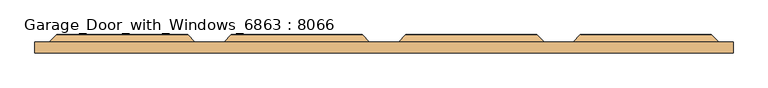
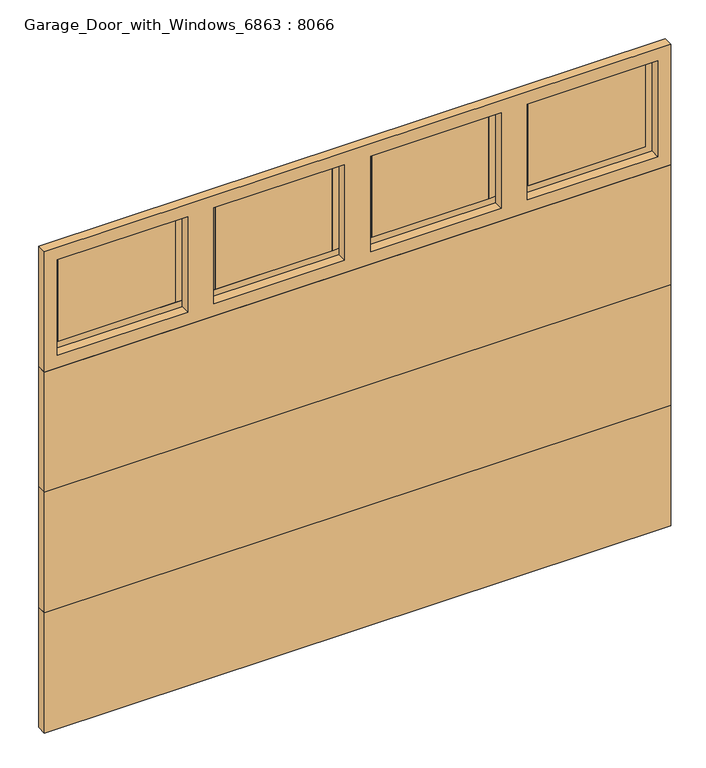
"""IFC4 building model written with IfcOpenShell, lengths in millimetres: door geometry, Garage_Door_with_Windows_6863 : 8066."""

from ifc_helpers import new_model, si_unit, frame, origin, origin_with_axes, place, context, project, spatial, polyline, outline, extrude, faceted_brep, source, transform, mapped, element, save


def garage_door_with_windows_6863_8066_fc2a343f(model_context):
    return source(origin(), model_context, "Body", "SolidModel", [
        extrude(outline(polyline([(1981.2, -1219.2), (1485.9, -1219.2), (1485.9, 1219.2), (1981.2, 1219.2), (1981.2, -1219.2)]), holes=[polyline([(1536.7, -660.4), (1536.7, -1168.4), (1930.4, -1168.4), (1930.4, -660.4), (1536.7, -660.4)]), polyline([(1536.7, -50.8), (1536.7, -558.8), (1930.4, -558.8), (1930.4, -50.8), (1536.7, -50.8)]), polyline([(1536.7, 558.8), (1536.7, 50.8), (1930.4, 50.8), (1930.4, 558.8), (1536.7, 558.8)]), polyline([(1536.7, 1168.4), (1536.7, 660.4), (1930.4, 660.4), (1930.4, 1168.4), (1536.7, 1168.4)])]), frame((0.0, -101.6, 0.0), z_axis=(0.0, 1.0, 0.0), x_axis=(0.0, 0.0, 1.0)), (0.0, 0.0, 1.0), 38.1),
        extrude(outline(polyline([(-1142.20625, -38.1), (-686.59375, -38.1), (-686.59375, -63.5), (-1142.20625, -63.5), (-1142.20625, -38.1)])), frame((0.0, 0.0, 1562.89375), z_axis=(0.0, 0.0, 1.0), x_axis=(1.0, 0.0, 0.0)), (0.0, 0.0, 1.0), 341.3125),
        extrude(outline(polyline([(-532.60625, -38.1), (-76.99375, -38.1), (-76.99375, -63.5), (-532.60625, -63.5), (-532.60625, -38.1)])), frame((0.0, 0.0, 1562.89375), z_axis=(0.0, 0.0, 1.0), x_axis=(1.0, 0.0, 0.0)), (0.0, 0.0, 1.0), 341.3125),
        extrude(outline(polyline([(76.99375, -38.1), (532.60625, -38.1), (532.60625, -63.5), (76.99375, -63.5), (76.99375, -38.1)])), frame((0.0, 0.0, 1562.89375), z_axis=(0.0, 0.0, 1.0), x_axis=(1.0, 0.0, 0.0)), (0.0, 0.0, 1.0), 341.3125),
        extrude(outline(polyline([(686.59375, -38.1), (1142.20625, -38.1), (1142.20625, -63.5), (686.59375, -63.5), (686.59375, -38.1)])), frame((0.0, 0.0, 1562.89375), z_axis=(0.0, 0.0, 1.0), x_axis=(1.0, 0.0, 0.0)), (0.0, 0.0, 1.0), 341.3125),
        extrude(outline(polyline([(-1142.20625, -63.5), (-1168.4, -63.5), (-1143.0, -38.1), (-1142.20625, -38.1), (-1142.20625, -63.5)])), frame((0.0, 0.0, 1562.89375), z_axis=(0.0, 0.0, 1.0), x_axis=(1.0, 0.0, 0.0)), (0.0, 0.0, 1.0), 341.3125),
        extrude(outline(polyline([(-660.4, -63.5), (-686.59375, -63.5), (-686.59375, -38.1), (-685.8, -38.1), (-660.4, -63.5)])), frame((0.0, 0.0, 1562.89375), z_axis=(0.0, 0.0, 1.0), x_axis=(1.0, 0.0, 0.0)), (0.0, 0.0, 1.0), 341.3125),
        faceted_brep([(-1143.0, -38.1, 1562.1), (-1143.0, -38.1, 1562.89375), (-685.8, -38.1, 1562.89375), (-685.8, -38.1, 1562.1), (-1168.4, -63.5, 1536.7), (-660.4, -63.5, 1536.7), (-660.4, -63.5, 1562.89375), (-1168.4, -63.5, 1562.89375)], [[[0, 1, 2, 3]], [[4, 5, 6, 7]], [[4, 7, 1, 0]], [[7, 6, 2, 1]], [[6, 5, 3, 2]], [[5, 4, 0, 3]]]),
        faceted_brep([(-1143.0, -38.1, 1905.0), (-685.8, -38.1, 1905.0), (-685.8, -38.1, 1904.20625), (-1143.0, -38.1, 1904.20625), (-1168.4, -63.5, 1930.4), (-1168.4, -63.5, 1904.20625), (-660.4, -63.5, 1904.20625), (-660.4, -63.5, 1930.4)], [[[0, 1, 2, 3]], [[4, 5, 6, 7]], [[4, 7, 1, 0]], [[7, 6, 2, 1]], [[6, 5, 3, 2]], [[5, 4, 0, 3]]]),
        extrude(outline(polyline([(-532.60625, -63.5), (-558.8, -63.5), (-533.4, -38.1), (-532.60625, -38.1), (-532.60625, -63.5)])), frame((0.0, 0.0, 1562.89375), z_axis=(0.0, 0.0, 1.0), x_axis=(1.0, 0.0, 0.0)), (0.0, 0.0, 1.0), 341.3125),
        extrude(outline(polyline([(-50.8, -63.5), (-76.99375, -63.5), (-76.99375, -38.1), (-76.2, -38.1), (-50.8, -63.5)])), frame((0.0, 0.0, 1562.89375), z_axis=(0.0, 0.0, 1.0), x_axis=(1.0, 0.0, 0.0)), (0.0, 0.0, 1.0), 341.3125),
        faceted_brep([(-533.4, -38.1, 1562.1), (-533.4, -38.1, 1562.89375), (-76.2, -38.1, 1562.89375), (-76.2, -38.1, 1562.1), (-558.8, -63.5, 1536.7), (-50.8, -63.5, 1536.7), (-50.8, -63.5, 1562.89375), (-558.8, -63.5, 1562.89375)], [[[0, 1, 2, 3]], [[4, 5, 6, 7]], [[4, 7, 1, 0]], [[7, 6, 2, 1]], [[6, 5, 3, 2]], [[5, 4, 0, 3]]]),
        faceted_brep([(-533.4, -38.1, 1905.0), (-76.2, -38.1, 1905.0), (-76.2, -38.1, 1904.20625), (-533.4, -38.1, 1904.20625), (-558.8, -63.5, 1930.4), (-558.8, -63.5, 1904.20625), (-50.8, -63.5, 1904.20625), (-50.8, -63.5, 1930.4)], [[[0, 1, 2, 3]], [[4, 5, 6, 7]], [[4, 7, 1, 0]], [[7, 6, 2, 1]], [[6, 5, 3, 2]], [[5, 4, 0, 3]]]),
        extrude(outline(polyline([(76.99375, -63.5), (50.8, -63.5), (76.2, -38.1), (76.99375, -38.1), (76.99375, -63.5)])), frame((0.0, 0.0, 1562.89375), z_axis=(0.0, 0.0, 1.0), x_axis=(1.0, 0.0, 0.0)), (0.0, 0.0, 1.0), 341.3125),
        extrude(outline(polyline([(558.8, -63.5), (532.60625, -63.5), (532.60625, -38.1), (533.4, -38.1), (558.8, -63.5)])), frame((0.0, 0.0, 1562.89375), z_axis=(0.0, 0.0, 1.0), x_axis=(1.0, 0.0, 0.0)), (0.0, 0.0, 1.0), 341.3125),
        faceted_brep([(76.2, -38.1, 1562.1), (76.2, -38.1, 1562.89375), (533.4, -38.1, 1562.89375), (533.4, -38.1, 1562.1), (50.8, -63.5, 1536.7), (558.8, -63.5, 1536.7), (558.8, -63.5, 1562.89375), (50.8, -63.5, 1562.89375)], [[[0, 1, 2, 3]], [[4, 5, 6, 7]], [[4, 7, 1, 0]], [[7, 6, 2, 1]], [[6, 5, 3, 2]], [[5, 4, 0, 3]]]),
        faceted_brep([(76.2, -38.1, 1905.0), (533.4, -38.1, 1905.0), (533.4, -38.1, 1904.20625), (76.2, -38.1, 1904.20625), (50.8, -63.5, 1930.4), (50.8, -63.5, 1904.20625), (558.8, -63.5, 1904.20625), (558.8, -63.5, 1930.4)], [[[0, 1, 2, 3]], [[4, 5, 6, 7]], [[4, 7, 1, 0]], [[7, 6, 2, 1]], [[6, 5, 3, 2]], [[5, 4, 0, 3]]]),
        faceted_brep([(685.8, -38.1, 1905.0), (1143.0, -38.1, 1905.0), (1143.0, -38.1, 1562.1), (685.8, -38.1, 1562.1), (1142.20625, -38.1, 1904.20625), (686.59375, -38.1, 1904.20625), (686.59375, -38.1, 1562.89375), (1142.20625, -38.1, 1562.89375), (660.4, -63.5, 1536.7), (1168.4, -63.5, 1536.7), (1168.4, -63.5, 1930.4), (660.4, -63.5, 1930.4), (1142.20625, -63.5, 1562.89375), (686.59375, -63.5, 1562.89375), (686.59375, -63.5, 1904.20625), (1142.20625, -63.5, 1904.20625)], [[[0, 1, 2, 3], [4, 5, 6, 7]], [[8, 9, 10, 11], [12, 13, 14, 15]], [[1, 0, 11, 10]], [[1, 10, 9, 2]], [[4, 15, 14, 5]], [[0, 3, 8, 11]], [[4, 7, 12, 15]], [[12, 7, 6, 13]], [[3, 2, 9, 8]], [[6, 5, 14, 13]]]),
        extrude(outline(polyline([(1219.2, -101.6), (-1219.2, -101.6), (-1219.2, -63.5), (1219.2, -63.5), (1219.2, -101.6)])), frame((0.0, 0.0, 495.3), z_axis=(0.0, 0.0, 1.0), x_axis=(1.0, 0.0, 0.0)), (0.0, 0.0, 1.0), 495.3),
        extrude(outline(polyline([(1219.2, -63.5), (1219.2, -101.6), (-1219.2, -101.6), (-1219.2, -63.5), (1219.2, -63.5)])), origin_with_axes(), (0.0, 0.0, 1.0), 495.3),
        faceted_brep([(-1143.0, -50.8, 571.5), (-1143.0, -50.8, 914.4), (-685.8, -50.8, 914.4), (-685.8, -50.8, 571.5), (-1168.4, -76.2, 546.1), (-660.4, -76.2, 546.1), (-660.4, -76.2, 939.8), (-1168.4, -76.2, 939.8)], [[[0, 1, 2, 3]], [[4, 5, 6, 7]], [[4, 7, 1, 0]], [[7, 6, 2, 1]], [[6, 5, 3, 2]], [[5, 4, 0, 3]]]),
        faceted_brep([(-533.4, -50.8, 571.5), (-533.4, -50.8, 914.4), (-76.2, -50.8, 914.4), (-76.2, -50.8, 571.5), (-558.8, -76.2, 546.1), (-50.8, -76.2, 546.1), (-50.8, -76.2, 939.8), (-558.8, -76.2, 939.8)], [[[0, 1, 2, 3]], [[4, 5, 6, 7]], [[4, 7, 1, 0]], [[7, 6, 2, 1]], [[6, 5, 3, 2]], [[5, 4, 0, 3]]]),
        faceted_brep([(76.2, -50.8, 571.5), (76.2, -50.8, 914.4), (533.4, -50.8, 914.4), (533.4, -50.8, 571.5), (50.8, -76.2, 546.1), (558.8, -76.2, 546.1), (558.8, -76.2, 939.8), (50.8, -76.2, 939.8)], [[[0, 1, 2, 3]], [[4, 5, 6, 7]], [[4, 7, 1, 0]], [[7, 6, 2, 1]], [[6, 5, 3, 2]], [[5, 4, 0, 3]]]),
        faceted_brep([(685.8, -50.8, 571.5), (685.8, -50.8, 914.4), (1143.0, -50.8, 914.4), (1143.0, -50.8, 571.5), (660.4, -76.2, 546.1), (1168.4, -76.2, 546.1), (1168.4, -76.2, 939.8), (660.4, -76.2, 939.8)], [[[0, 1, 2, 3]], [[4, 5, 6, 7]], [[4, 7, 1, 0]], [[7, 6, 2, 1]], [[6, 5, 3, 2]], [[5, 4, 0, 3]]]),
        faceted_brep([(-1143.0, -50.8, 76.2), (-1143.0, -50.8, 419.1), (-685.8, -50.8, 419.1), (-685.8, -50.8, 76.2), (-1168.4, -76.2, 50.8), (-660.4, -76.2, 50.8), (-660.4, -76.2, 444.5), (-1168.4, -76.2, 444.5)], [[[0, 1, 2, 3]], [[4, 5, 6, 7]], [[4, 7, 1, 0]], [[7, 6, 2, 1]], [[6, 5, 3, 2]], [[5, 4, 0, 3]]]),
        faceted_brep([(-533.4, -50.8, 76.2), (-533.4, -50.8, 419.1), (-76.2, -50.8, 419.1), (-76.2, -50.8, 76.2), (-558.8, -76.2, 50.8), (-50.8, -76.2, 50.8), (-50.8, -76.2, 444.5), (-558.8, -76.2, 444.5)], [[[0, 1, 2, 3]], [[4, 5, 6, 7]], [[4, 7, 1, 0]], [[7, 6, 2, 1]], [[6, 5, 3, 2]], [[5, 4, 0, 3]]]),
        faceted_brep([(76.2, -50.8, 76.2), (76.2, -50.8, 419.1), (533.4, -50.8, 419.1), (533.4, -50.8, 76.2), (50.8, -76.2, 50.8), (558.8, -76.2, 50.8), (558.8, -76.2, 444.5), (50.8, -76.2, 444.5)], [[[0, 1, 2, 3]], [[4, 5, 6, 7]], [[4, 7, 1, 0]], [[7, 6, 2, 1]], [[6, 5, 3, 2]], [[5, 4, 0, 3]]]),
        faceted_brep([(685.8, -50.8, 76.2), (685.8, -50.8, 419.1), (1143.0, -50.8, 419.1), (1143.0, -50.8, 76.2), (660.4, -76.2, 50.8), (1168.4, -76.2, 50.8), (1168.4, -76.2, 444.5), (660.4, -76.2, 444.5)], [[[0, 1, 2, 3]], [[4, 5, 6, 7]], [[4, 7, 1, 0]], [[7, 6, 2, 1]], [[6, 5, 3, 2]], [[5, 4, 0, 3]]]),
        extrude(outline(polyline([(-1219.2, -101.6), (-1219.2, -63.5), (1219.2, -63.5), (1219.2, -101.6), (-1219.2, -101.6)])), frame((0.0, 0.0, 990.6), z_axis=(0.0, 0.0, 1.0), x_axis=(1.0, 0.0, 0.0)), (0.0, 0.0, 1.0), 495.3),
        faceted_brep([(-1168.4, -76.2, 1041.4), (-1168.4, -76.2, 1435.1), (-1143.0, -50.8, 1409.7), (-1143.0, -50.8, 1066.8), (-685.8, -50.8, 1409.7), (-685.8, -50.8, 1066.8), (-660.4, -76.2, 1435.1), (-660.4, -76.2, 1041.4)], [[[0, 1, 2, 3]], [[3, 2, 4, 5]], [[6, 7, 5, 4]], [[7, 0, 3, 5]], [[0, 7, 6, 1]], [[1, 6, 4, 2]]]),
        faceted_brep([(-558.8, -76.2, 1041.4), (-558.8, -76.2, 1435.1), (-533.4, -50.8, 1409.7), (-533.4, -50.8, 1066.8), (-76.2, -50.8, 1409.7), (-76.2, -50.8, 1066.8), (-50.8, -76.2, 1435.1), (-50.8, -76.2, 1041.4)], [[[0, 1, 2, 3]], [[3, 2, 4, 5]], [[6, 7, 5, 4]], [[7, 0, 3, 5]], [[0, 7, 6, 1]], [[1, 6, 4, 2]]]),
        faceted_brep([(50.8, -76.2, 1041.4), (50.8, -76.2, 1435.1), (76.2, -50.8, 1409.7), (76.2, -50.8, 1066.8), (533.4, -50.8, 1409.7), (533.4, -50.8, 1066.8), (558.8, -76.2, 1435.1), (558.8, -76.2, 1041.4)], [[[0, 1, 2, 3]], [[3, 2, 4, 5]], [[6, 7, 5, 4]], [[7, 0, 3, 5]], [[0, 7, 6, 1]], [[1, 6, 4, 2]]]),
        faceted_brep([(660.4, -76.2, 1041.4), (660.4, -76.2, 1435.1), (685.8, -50.8, 1409.7), (685.8, -50.8, 1066.8), (1143.0, -50.8, 1409.7), (1143.0, -50.8, 1066.8), (1168.4, -76.2, 1435.1), (1168.4, -76.2, 1041.4)], [[[0, 1, 2, 3]], [[3, 2, 4, 5]], [[6, 7, 5, 4]], [[7, 0, 3, 5]], [[0, 7, 6, 1]], [[1, 6, 4, 2]]]),
    ])


if __name__ == "__main__":
    model = new_model("IFC4")
    model_context = context("Model", 3, world=origin())
    ifc_project = project(units=[si_unit("LENGTHUNIT", "METRE", prefix="MILLI")], contexts=[model_context])
    site = spatial("IfcSite", under=ifc_project)
    building = spatial("IfcBuilding", under=site)
    placement = place(None, origin())
    garage_door_with_windows_6863_8066_shape = garage_door_with_windows_6863_8066_fc2a343f(model_context)
    element("IfcDoor", 1, ObjectType="Garage_Door_with_Windows_6863 : 8066", at=placement, inside=building, context=model_context, shape_type="MappedRepresentation", body=[
        mapped(garage_door_with_windows_6863_8066_shape, transform((0.0, 0.0, 0.0), x_axis=(1.0, 0.0, 0.0), y_axis=(0.0, 1.0, 0.0), z_axis=(0.0, 0.0, 1.0))),
    ])
    save(model, "model.ifc")
